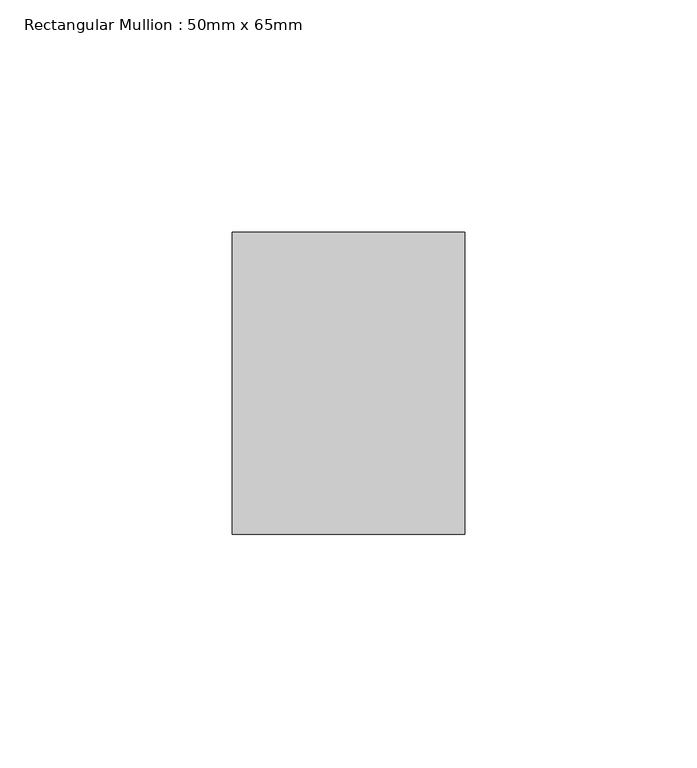
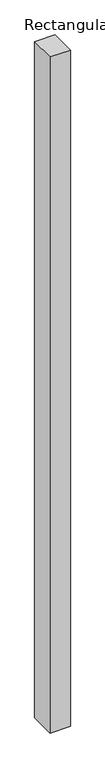
"""IFC4 building model written with IfcOpenShell, lengths in millimetres: member geometry, Rectangular Mullion : 50mm x 65mm."""

from ifc_helpers import new_model, si_unit, frame, origin, place, context, project, spatial, polyline, outline, extrude, source, transform, mapped, element, save


def rectangular_mullion_50mm_x_65mm_e5c3e6fc(model_context):
    return source(origin(), model_context, "Body", "SweptSolid", [
        extrude(outline(polyline([(25.0, 32.5), (25.0, -32.5), (-25.0, -32.5), (-25.0, 32.5), (25.0, 32.5)])), frame((0.0, 0.0, -1754.4951806), z_axis=(0.0, 0.0, 1.0), x_axis=(1.0, 0.0, 0.0)), (0.0, 0.0, 1.0), 1754.4951806),
    ])


if __name__ == "__main__":
    model = new_model("IFC4")
    model_context = context("Model", 3, world=origin())
    ifc_project = project(units=[si_unit("LENGTHUNIT", "METRE", prefix="MILLI")], contexts=[model_context])
    site = spatial("IfcSite", under=ifc_project)
    building = spatial("IfcBuilding", under=site)
    placement = place(None, origin())
    rectangular_mullion_50mm_x_65mm_shape = rectangular_mullion_50mm_x_65mm_e5c3e6fc(model_context)
    element("IfcMember", 1, ObjectType="Rectangular Mullion : 50mm x 65mm", at=placement, inside=building, context=model_context, shape_type="MappedRepresentation", body=[
        mapped(rectangular_mullion_50mm_x_65mm_shape, transform((0.0, 0.0, 0.0), x_axis=(1.0, 0.0, 0.0), y_axis=(0.0, 1.0, 0.0), z_axis=(0.0, 0.0, 1.0))),
    ])
    save(model, "model.ifc")
